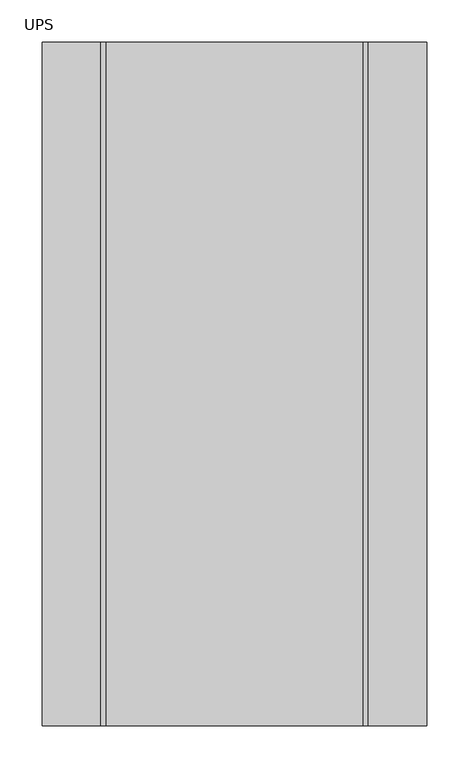
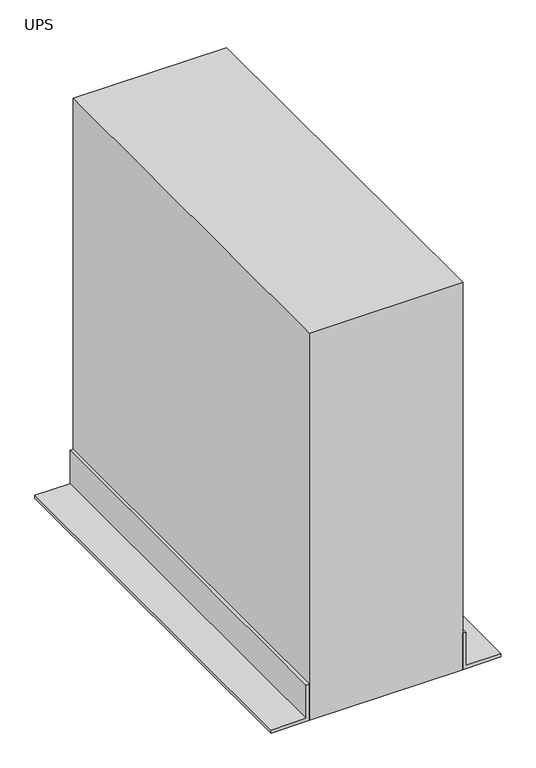
"""IFC4 building model written with IfcOpenShell, lengths in millimetres: proxy geometry, UPS."""

from ifc_helpers import new_model, si_unit, frame, origin, origin_with_axes, place, context, project, spatial, polyline, outline, extrude, source, transform, mapped, element, save


def ups_8767d523(model_context):
    return source(origin(), model_context, "Body", "SweptSolid", [
        extrude(outline(polyline([(6.35, -228.6), (0.0, -228.6), (0.0, -152.4), (76.2, -152.4), (76.2, -158.75), (6.35, -158.75), (6.35, -228.6)])), frame((0.0, -914.4, 0.0), z_axis=(0.0, 1.0, 0.0), x_axis=(0.0, 0.0, 1.0)), (0.0, 0.0, 1.0), 812.8),
        extrude(outline(polyline([(6.35, 228.6), (6.35, 158.75), (76.2, 158.75), (76.2, 152.4), (0.0, 152.4), (0.0, 228.6), (6.35, 228.6)])), frame((0.0, -914.4, 0.0), z_axis=(0.0, 1.0, 0.0), x_axis=(0.0, 0.0, 1.0)), (0.0, 0.0, 1.0), 812.8),
        extrude(outline(polyline([(152.4, -101.6), (152.4, -914.4), (-152.4, -914.4), (-152.4, -101.6), (152.4, -101.6)])), origin_with_axes(), (0.0, 0.0, 1.0), 812.8),
    ])


if __name__ == "__main__":
    model = new_model("IFC4")
    model_context = context("Model", 3, world=origin())
    ifc_project = project(units=[si_unit("LENGTHUNIT", "METRE", prefix="MILLI")], contexts=[model_context])
    site = spatial("IfcSite", under=ifc_project)
    building = spatial("IfcBuilding", under=site)
    placement = place(None, origin())
    ups_shape = ups_8767d523(model_context)
    element("IfcBuildingElementProxy", 1, Name="UPS", ObjectType="UPS", at=placement, inside=building, context=model_context, shape_type="MappedRepresentation", body=[
        mapped(ups_shape, transform((0.0, 0.0, 0.0), x_axis=(1.0, 0.0, 0.0), y_axis=(0.0, 1.0, 0.0), z_axis=(0.0, 0.0, 1.0))),
    ])
    save(model, "model.ifc")
